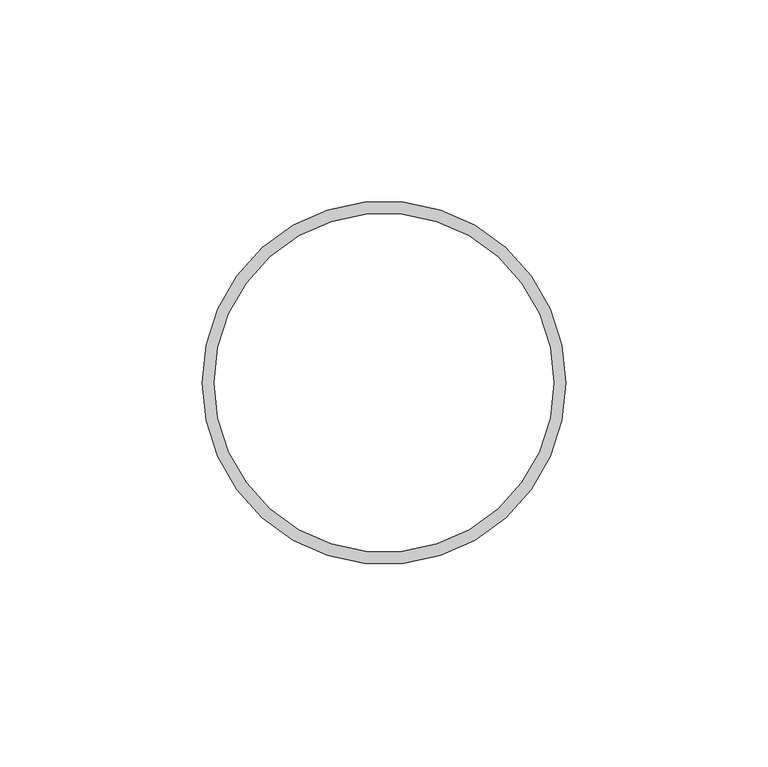
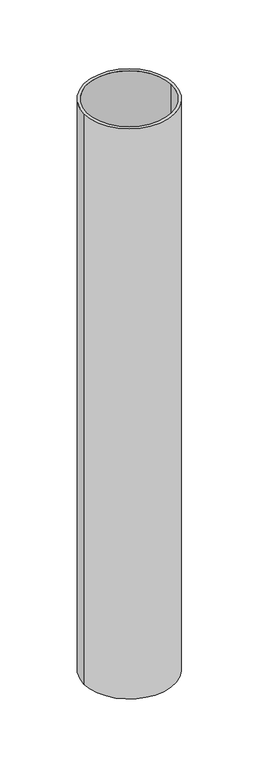
"""IFC4 building model written with IfcOpenShell, lengths in millimetres: beam geometry."""

from ifc_helpers import new_model, si_unit, point, frame, origin, origin_2d, place, context, project, spatial, circle_curve, trimmed, segment, composite_curve, outline, extrude, source, transform, mapped, element, save


def beam_4443a101(model_context):
    return source(origin(), model_context, "Body", "SweptSolid", [
        extrude(outline(composite_curve([segment(trimmed(circle_curve(origin_2d(), 45.0), [point((45.0, 0.0))], [point((-45.0, 0.0))], False, "CARTESIAN"), True, "CONTINUOUS"), segment(trimmed(circle_curve(origin_2d(), 45.0), [point((-45.0, 0.0))], [point((45.0, 0.0))], False, "CARTESIAN"), True, "CONTINUOUS")], self_intersect=False), holes=[composite_curve([segment(trimmed(circle_curve(origin_2d(), 42.0), [point((42.0, 0.0))], [point((-42.0, 0.0))], True, "CARTESIAN"), True, "CONTINUOUS"), segment(trimmed(circle_curve(origin_2d(), 42.0), [point((-42.0, 0.0))], [point((42.0, 0.0))], True, "CARTESIAN"), True, "CONTINUOUS")], self_intersect=False)]), frame((0.0, 0.0, -600.0), z_axis=(0.0, 0.0, 1.0), x_axis=(1.0, 0.0, 0.0)), (0.0, 0.0, 1.0), 600.0),
    ])


if __name__ == "__main__":
    model = new_model("IFC4")
    model_context = context("Model", 3, world=origin())
    ifc_project = project(units=[si_unit("LENGTHUNIT", "METRE", prefix="MILLI")], contexts=[model_context])
    site = spatial("IfcSite", under=ifc_project)
    building = spatial("IfcBuilding", under=site)
    placement = place(None, origin())
    beam_shape = beam_4443a101(model_context)
    element("IfcBeam", 1, at=placement, inside=building, context=model_context, shape_type="MappedRepresentation", body=[
        mapped(beam_shape, transform((0.0, 0.0, 0.0), x_axis=(1.0, 0.0, 0.0), y_axis=(0.0, 1.0, 0.0), z_axis=(0.0, 0.0, 1.0))),
    ])
    save(model, "model.ifc")
